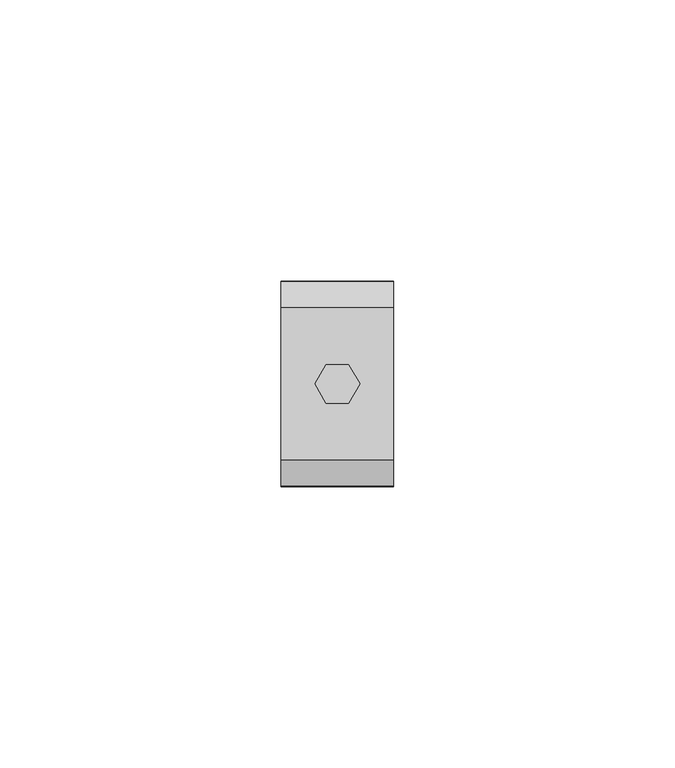
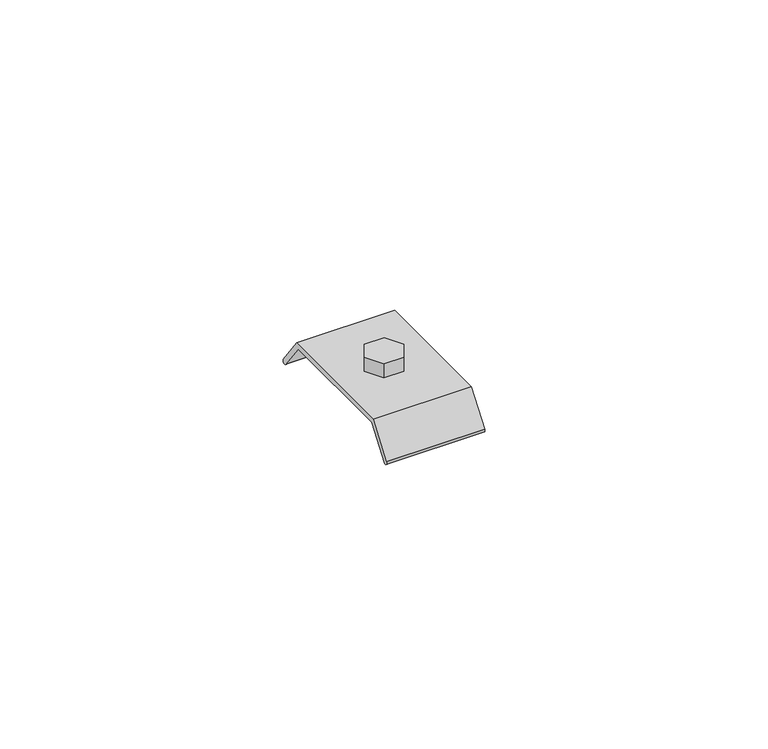
"""IFC4 building model written with IfcOpenShell, lengths in millimetres: beam geometry."""

import ifcopenshell
import ifcopenshell.guid

model = None  # the IFC model being written
_history = None  # IfcOwnerHistory: only IFC2X3 demands one
_inside = {}  # id of a spatial element -> (the spatial element, [elements in it])
_under = {}  # id of a project, library or spatial element -> (it, [spatial elements below it])
_declared = {}  # id of a project -> (the project, [libraries it declares])
_typed = {}  # id of a type object -> (the type object, [elements of that type])
_made_of = {}  # id of a material, layer set ... -> (it, [elements and type objects made of it])


def new_model(schema):
    """Start an empty IFC model of exactly this schema.

    Asked for "IFC4X3", IfcOpenShell would pick the latest addendum, in which some entities
    have other attributes; the version numbers below select the first issue.
    IFC2X3 requires an IfcOwnerHistory on every rooted entity: one is made here for all.
    """
    global model, _history
    if schema == "IFC4X3":
        model = ifcopenshell.file(schema_version=(4, 3, 0, 0))
    else:
        model = ifcopenshell.file(schema=schema)
    _inside.clear()
    _under.clear()
    _declared.clear()
    _typed.clear()
    _made_of.clear()
    _history = None
    if model.schema == "IFC2X3":
        org = make("IfcOrganization", Name="unknown")
        user = make(
            "IfcPersonAndOrganization",
            ThePerson=make("IfcPerson", FamilyName="unknown"),
            TheOrganization=org,
        )
        app = make(
            "IfcApplication",
            ApplicationDeveloper=org,
            Version="unknown",
            ApplicationFullName="unknown",
            ApplicationIdentifier="unknown",
        )
        _history = make(
            "IfcOwnerHistory",
            OwningUser=user,
            OwningApplication=app,
            ChangeAction="ADDED",
            CreationDate=0,
        )
    return model


def make(cls, **values):
    """One entity of the class cls with the attributes given. An attribute that is None is left unset."""
    return model.create_entity(
        cls, **{name: value for name, value in values.items() if value is not None}
    )


def rooted(cls, **values):
    """An entity with a GlobalId (a new one), such as an element, a storey or a relation."""
    return make(cls, GlobalId=ifcopenshell.guid.new(), OwnerHistory=_history, **values)


def si_unit(unit_type, name, prefix=None):
    """IfcSIUnit, for example si_unit("LENGTHUNIT", "METRE", prefix="MILLI")."""
    return make("IfcSIUnit", UnitType=unit_type, Prefix=prefix, Name=name)


def assignment(units):
    """IfcUnitAssignment: the units of a project."""
    return None if units is None else make("IfcUnitAssignment", Units=units)


def point(xyz):
    """IfcCartesianPoint."""
    return None if xyz is None else make("IfcCartesianPoint", Coordinates=xyz)


def direction(xyz):
    """IfcDirection."""
    return None if xyz is None else make("IfcDirection", DirectionRatios=xyz)


def frame(location, z_axis=None, x_axis=None):
    """IfcAxis2Placement3D, a coordinate frame: its origin and axes. An axis left out is left unset."""
    return make(
        "IfcAxis2Placement3D",
        Location=point(location),
        Axis=direction(z_axis),
        RefDirection=direction(x_axis),
    )


def frame_2d(location, x_axis=None):
    """IfcAxis2Placement2D, a coordinate frame in the plane: its origin and x axis."""
    return make(
        "IfcAxis2Placement2D", Location=point(location), RefDirection=direction(x_axis)
    )


def origin():
    """The frame at (0, 0, 0) with its axes left unset."""
    return frame((0.0, 0.0, 0.0))


def place(relative_to, where):
    """IfcLocalPlacement: puts the frame where relative to a parent placement (None: the world)."""
    return make(
        "IfcLocalPlacement", PlacementRelTo=relative_to, RelativePlacement=where
    )


def context(
    kind, dimensions, precision=None, world=None, true_north=None, identifier=None
):
    """IfcGeometricRepresentationContext, for example the 3D "Model" context."""
    return make(
        "IfcGeometricRepresentationContext",
        ContextIdentifier=identifier,
        ContextType=kind,
        CoordinateSpaceDimension=dimensions,
        Precision=precision,
        WorldCoordinateSystem=world,
        TrueNorth=true_north,
    )


def project(units=None, contexts=None):
    """IfcProject with its units and contexts."""
    return rooted(
        "IfcProject",
        Name="project",
        RepresentationContexts=contexts,
        UnitsInContext=assignment(units),
    )


def spatial(cls, under=None, at=None, **own):
    """A site, building, storey or space (cls), placed at a placement, below another one or the project."""
    s = rooted(cls, ObjectPlacement=at, **own)
    if under is not None:
        _under.setdefault(under.id(), (under, []))[1].append(s)
    return s


def polyline(points):
    """IfcPolyline through the points."""
    return make("IfcPolyline", Points=[point(p) for p in points])


def circle_curve(where, radius):
    """IfcCircle in the frame where."""
    return make("IfcCircle", Position=where, Radius=radius)


def trimmed(basis, trim1, trim2, sense, master):
    """IfcTrimmedCurve: the piece of a basis curve between two trims."""
    return make(
        "IfcTrimmedCurve",
        BasisCurve=basis,
        Trim1=trim1,
        Trim2=trim2,
        SenseAgreement=sense,
        MasterRepresentation=master,
    )


def segment(curve, same_sense, transition):
    """IfcCompositeCurveSegment."""
    return make(
        "IfcCompositeCurveSegment",
        Transition=transition,
        SameSense=same_sense,
        ParentCurve=curve,
    )


def composite_curve(segments, self_intersect=None):
    """IfcCompositeCurve: segments joined end to end."""
    return make("IfcCompositeCurve", Segments=segments, SelfIntersect=self_intersect)


def outline(outer, holes=None, kind="AREA"):
    """IfcArbitraryClosedProfileDef: a profile drawn as a closed curve; with holes, ...WithVoids."""
    if holes is None:
        return make("IfcArbitraryClosedProfileDef", ProfileType=kind, OuterCurve=outer)
    return make(
        "IfcArbitraryProfileDefWithVoids",
        ProfileType=kind,
        OuterCurve=outer,
        InnerCurves=holes,
    )


def extrude(swept, where, along, depth):
    """IfcExtrudedAreaSolid: the profile swept, set in the frame where, extruded along a direction by depth."""
    return make(
        "IfcExtrudedAreaSolid",
        SweptArea=swept,
        Position=where,
        ExtrudedDirection=direction(along),
        Depth=depth,
    )


def shape(context_of_items, identifier, shape_type, items):
    """IfcShapeRepresentation: the items that make up one representation, for example the "Body"."""
    return make(
        "IfcShapeRepresentation",
        ContextOfItems=context_of_items,
        RepresentationIdentifier=identifier,
        RepresentationType=shape_type,
        Items=items,
    )


def source(mapping_origin, context_of_items, identifier, shape_type, items):
    """IfcRepresentationMap: a shape defined once, which mapped items show again and again."""
    return make(
        "IfcRepresentationMap",
        MappingOrigin=mapping_origin,
        MappedRepresentation=shape(context_of_items, identifier, shape_type, items),
    )


def transform(
    local_origin,
    x_axis=None,
    y_axis=None,
    z_axis=None,
    scale=None,
    scale2=None,
    scale3=None,
    uniform=True,
):
    """IfcCartesianTransformationOperator3D, or its non-uniform kind. x_axis, y_axis, z_axis: its Axis1, 2, 3."""
    if uniform:
        return make(
            "IfcCartesianTransformationOperator3D",
            Axis1=direction(x_axis),
            Axis2=direction(y_axis),
            LocalOrigin=point(local_origin),
            Scale=scale,
            Axis3=direction(z_axis),
        )
    return make(
        "IfcCartesianTransformationOperator3DnonUniform",
        Axis1=direction(x_axis),
        Axis2=direction(y_axis),
        LocalOrigin=point(local_origin),
        Scale=scale,
        Axis3=direction(z_axis),
        Scale2=scale2,
        Scale3=scale3,
    )


def mapped(mapping_source, mapping_target):
    """IfcMappedItem: shows the shape of a source again, moved by a transform."""
    return make(
        "IfcMappedItem", MappingSource=mapping_source, MappingTarget=mapping_target
    )


def made_of(thing, what):
    """Note that an element or type object is made of a material, layer set ...; save() writes the relation."""
    if what is not None:
        _made_of.setdefault(what.id(), (what, []))[1].append(thing)
    return thing


def element(
    cls,
    number,
    at=None,
    inside=None,
    cuts=None,
    type_object=None,
    material=None,
    context=None,
    identifier="Body",
    shape_type=None,
    held_by="IfcProductDefinitionShape",
    body=None,
    shapes=None,
    **own,
):
    """One element of the class cls, such as IfcWall. Its Tag is "e" and its number.

    at: its placement. inside: the storey or other place that contains it. cuts: it is an
    opening in that element (IfcRelVoidsElement). A single representation is given by context,
    identifier, shape_type and body (its items); several are given by shapes. held_by: the class
    of the entity that holds the representations. save() writes the other relations.
    """
    e = rooted(cls, Tag="e%d" % number, ObjectPlacement=at, **own)
    if body is not None:
        shapes = [shape(context, identifier, shape_type, body)]
    if shapes is not None:
        e.Representation = make(held_by, Representations=shapes)
    if inside is not None:
        _inside.setdefault(inside.id(), (inside, []))[1].append(e)
    if cuts is not None:
        rooted(
            "IfcRelVoidsElement", RelatingBuildingElement=cuts, RelatedOpeningElement=e
        )
    if type_object is not None:
        _typed.setdefault(type_object.id(), (type_object, []))[1].append(e)
    return made_of(e, material)


def aggregate(whole, parts):
    """IfcRelAggregates: a whole, such as a stair, and the parts it consists of."""
    return rooted("IfcRelAggregates", RelatingObject=whole, RelatedObjects=parts)


def save(model, path):
    """Write the relations noted so far, then the file.

    IfcRelAggregates (storeys below a building ...), IfcRelContainedInSpatialStructure (elements
    in a storey), IfcRelDefinesByType, IfcRelAssociatesMaterial and IfcRelDeclares: one each for
    every whole, place, type object, material and project.
    """
    for whole, parts in _under.values():
        aggregate(whole, parts)
    for where, things in _inside.values():
        rooted(
            "IfcRelContainedInSpatialStructure",
            RelatedElements=things,
            RelatingStructure=where,
        )
    for kind, things in _typed.values():
        rooted("IfcRelDefinesByType", RelatedObjects=things, RelatingType=kind)
    for what, things in _made_of.values():
        rooted("IfcRelAssociatesMaterial", RelatedObjects=things, RelatingMaterial=what)
    for by, libraries in _declared.values():
        rooted("IfcRelDeclares", RelatingContext=by, RelatedDefinitions=libraries)
    model.write(path)


def beam_d3ed8385(model_context):
    return source(origin(), model_context, "Body", "SweptSolid", [
        extrude(outline(polyline([(2.0, 3.4641016), (4.0, 0.0), (2.0, -3.4641016), (-2.0, -3.4641016), (-4.0, 0.0), (-2.0, 3.4641016), (2.0, 3.4641016)])), frame((0.0, 0.0, -25.7896475), z_axis=(0.0, 0.0, 1.0), x_axis=(1.0, 0.0, 0.0)), (0.0, 0.0, 1.0), 3.0),
        extrude(outline(composite_curve([segment(polyline([(13.0061392, -26.7896475), (-13.0061392, -26.7896475), (-17.3653401, -32.72214)]), True, "CONTINUOUS"), segment(trimmed(circle_curve(frame_2d((-17.7682604, -32.4260738)), 0.5), [point((-17.3653401, -32.72214))], [point((-18.1711808, -32.1300076))], False, "CARTESIAN"), True, "CONTINUOUS"), segment(polyline([(-18.1711808, -32.1300076), (-13.5122784, -25.7896475), (13.5122784, -25.7896475), (18.1711808, -32.1300076)]), True, "CONTINUOUS"), segment(trimmed(circle_curve(frame_2d((17.7682604, -32.4260738)), 0.5), [point((18.1711808, -32.1300076))], [point((17.3653401, -32.72214))], False, "CARTESIAN"), True, "CONTINUOUS"), segment(polyline([(17.3653401, -32.72214), (13.0061392, -26.7896475)]), True, "CONTINUOUS")], self_intersect=False)), frame((-10.003063, 0.0, 0.0), z_axis=(1.0, 0.0, 0.0), x_axis=(0.0, 1.0, 0.0)), (0.0, 0.0, 1.0), 20.0061261),
    ])


if __name__ == "__main__":
    model = new_model("IFC4")
    model_context = context("Model", 3, world=origin())
    ifc_project = project(units=[si_unit("LENGTHUNIT", "METRE", prefix="MILLI")], contexts=[model_context])
    site = spatial("IfcSite", under=ifc_project)
    building = spatial("IfcBuilding", under=site)
    placement = place(None, origin())
    beam_shape = beam_d3ed8385(model_context)
    element("IfcBeam", 1, at=placement, inside=building, context=model_context, shape_type="MappedRepresentation", body=[
        mapped(beam_shape, transform((0.0, 0.0, 0.0), x_axis=(1.0, 0.0, 0.0), y_axis=(0.0, 1.0, 0.0), z_axis=(0.0, 0.0, 1.0))),
    ])
    save(model, "model.ifc")
